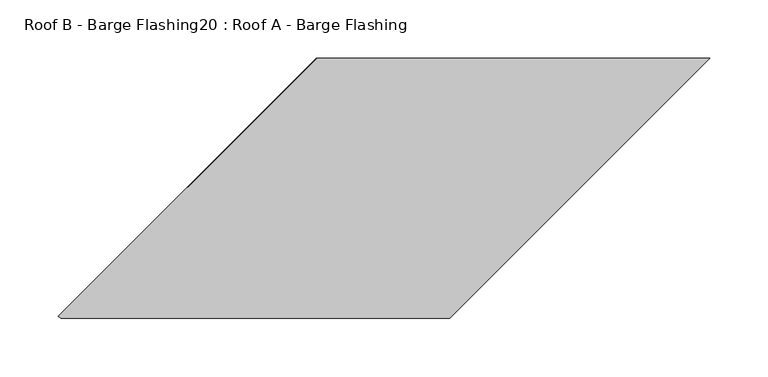
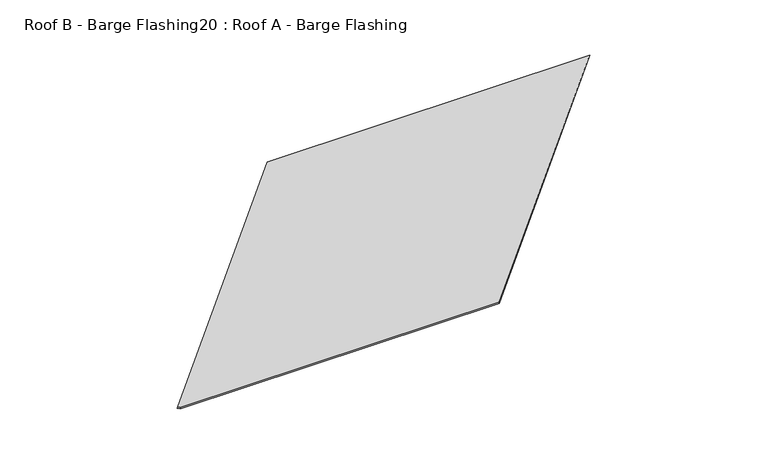
"""IFC4 building model written with IfcOpenShell, lengths in millimetres: proxy geometry, Roof B - Barge Flashing20 : Roof A - Barge Flashing."""

from ifc_helpers import new_model, si_unit, origin, place, context, project, spatial, faceted_brep, source, transform, mapped, element, save


def roof_b_barge_flashing20_roof_a_barge_flashing_eb8c2ac7(model_context):
    return source(origin(), model_context, "Body", "Brep", [
        faceted_brep([(-5429.2645072, -32225.306101, 3147.9403681), (-5650.7646027, -32446.8061966, 3088.5895964), (-5648.9719538, -32448.5988455, 3088.1092575), (-5314.9754916, -32448.5988455, 3088.1092575), (-5091.682747, -32225.306101, 3147.9403681), (-5650.971658, -32446.5991414, 3086.9886348), (-5429.6786176, -32225.306101, 3146.2839262), (-5092.0968575, -32225.306101, 3146.2839262), (-5315.389602, -32448.5988455, 3086.4528156), (-5648.9719538, -32448.5988455, 3086.4528156)], [[[0, 1, 2, 3, 4]], [[5, 1, 0, 6]], [[5, 6, 7, 8, 9]], [[7, 4, 3, 8]], [[1, 5, 9, 2]], [[0, 4, 7, 6]], [[3, 2, 9, 8]]]),
    ])


if __name__ == "__main__":
    model = new_model("IFC4")
    model_context = context("Model", 3, world=origin())
    ifc_project = project(units=[si_unit("LENGTHUNIT", "METRE", prefix="MILLI")], contexts=[model_context])
    site = spatial("IfcSite", under=ifc_project)
    building = spatial("IfcBuilding", under=site)
    placement = place(None, origin())
    roof_b_barge_flashing20_roof_a_barge_flashing_shape = roof_b_barge_flashing20_roof_a_barge_flashing_eb8c2ac7(model_context)
    element("IfcBuildingElementProxy", 1, Name="Roof B - Barge Flashing20 : Roof A - Barge Flashing", ObjectType="Roof B - Barge Flashing20 : Roof A - Barge Flashing", at=placement, inside=building, context=model_context, shape_type="MappedRepresentation", body=[
        mapped(roof_b_barge_flashing20_roof_a_barge_flashing_shape, transform((0.0, 0.0, 0.0), x_axis=(1.0, 0.0, 0.0), y_axis=(0.0, 1.0, 0.0), z_axis=(0.0, 0.0, 1.0))),
    ])
    save(model, "model.ifc")
